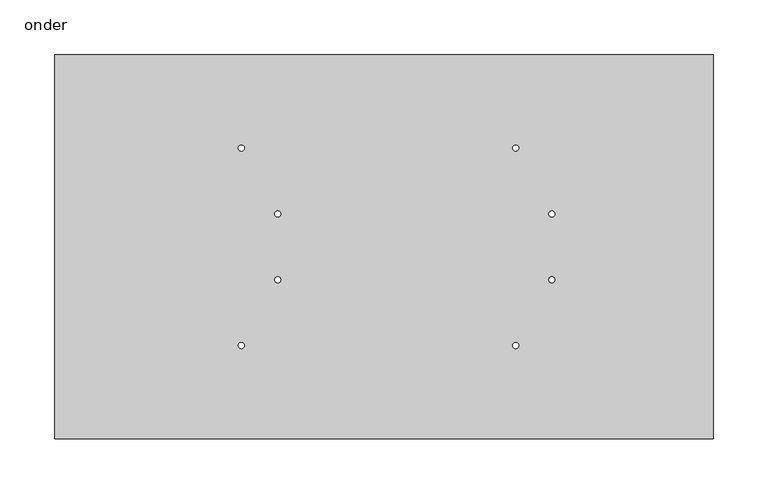
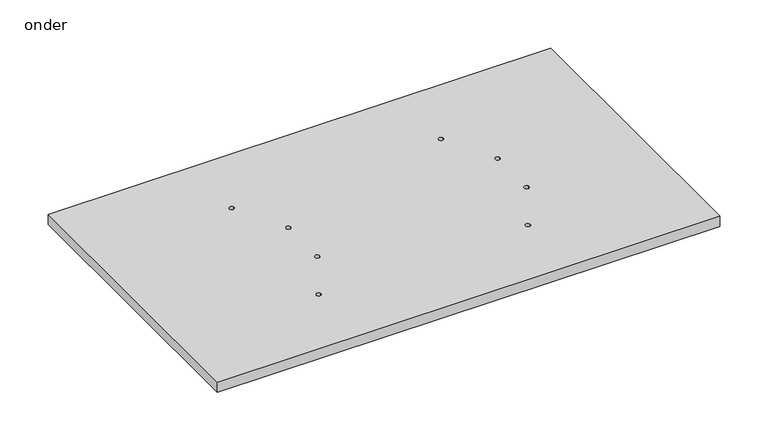
"""IFC4 building model written with IfcOpenShell, lengths in millimetres: furniture geometry, onder."""

from ifc_helpers import new_model, si_unit, point, frame_2d, origin, origin_with_axes, place, context, project, spatial, polyline, circle_curve, trimmed, segment, composite_curve, outline, extrude, source, transform, mapped, element, save


def onder_9797ff81(model_context):
    return source(origin(), model_context, "Body", "SweptSolid", [
        extrude(outline(polyline([(300.0, 175.0), (300.0, -175.0), (-300.0, -175.0), (-300.0, 175.0), (300.0, 175.0)]), holes=[composite_curve([segment(trimmed(circle_curve(frame_2d((-97.0, 30.0)), 2.75), [point((-99.75, 30.0))], [point((-94.25, 30.0))], True, "CARTESIAN"), True, "CONTINUOUS"), segment(trimmed(circle_curve(frame_2d((-97.0, 30.0)), 2.75), [point((-94.25, 30.0))], [point((-99.75, 30.0))], True, "CARTESIAN"), True, "CONTINUOUS")], self_intersect=False), composite_curve([segment(trimmed(circle_curve(frame_2d((-130.0, 90.0)), 2.75), [point((-132.75, 90.0))], [point((-127.25, 90.0))], True, "CARTESIAN"), True, "CONTINUOUS"), segment(trimmed(circle_curve(frame_2d((-130.0, 90.0)), 2.75), [point((-127.25, 90.0))], [point((-132.75, 90.0))], True, "CARTESIAN"), True, "CONTINUOUS")], self_intersect=False), composite_curve([segment(trimmed(circle_curve(frame_2d((153.0, 30.0)), 2.75), [point((150.25, 30.0))], [point((155.75, 30.0))], True, "CARTESIAN"), True, "CONTINUOUS"), segment(trimmed(circle_curve(frame_2d((153.0, 30.0)), 2.75), [point((155.75, 30.0))], [point((150.25, 30.0))], True, "CARTESIAN"), True, "CONTINUOUS")], self_intersect=False), composite_curve([segment(trimmed(circle_curve(frame_2d((120.0, 90.0)), 2.75), [point((117.25, 90.0))], [point((122.75, 90.0))], True, "CARTESIAN"), True, "CONTINUOUS"), segment(trimmed(circle_curve(frame_2d((120.0, 90.0)), 2.75), [point((122.75, 90.0))], [point((117.25, 90.0))], True, "CARTESIAN"), True, "CONTINUOUS")], self_intersect=False), composite_curve([segment(trimmed(circle_curve(frame_2d((-97.0, -30.0)), 2.75), [point((-99.75, -30.0))], [point((-94.25, -30.0))], True, "CARTESIAN"), True, "CONTINUOUS"), segment(trimmed(circle_curve(frame_2d((-97.0, -30.0)), 2.75), [point((-94.25, -30.0))], [point((-99.75, -30.0))], True, "CARTESIAN"), True, "CONTINUOUS")], self_intersect=False), composite_curve([segment(trimmed(circle_curve(frame_2d((-130.0, -90.0)), 2.75), [point((-132.75, -90.0))], [point((-127.25, -90.0))], True, "CARTESIAN"), True, "CONTINUOUS"), segment(trimmed(circle_curve(frame_2d((-130.0, -90.0)), 2.75), [point((-127.25, -90.0))], [point((-132.75, -90.0))], True, "CARTESIAN"), True, "CONTINUOUS")], self_intersect=False), composite_curve([segment(trimmed(circle_curve(frame_2d((153.0, -30.0)), 2.75), [point((150.25, -30.0))], [point((155.75, -30.0))], True, "CARTESIAN"), True, "CONTINUOUS"), segment(trimmed(circle_curve(frame_2d((153.0, -30.0)), 2.75), [point((155.75, -30.0))], [point((150.25, -30.0))], True, "CARTESIAN"), True, "CONTINUOUS")], self_intersect=False), composite_curve([segment(trimmed(circle_curve(frame_2d((120.0, -90.0)), 2.75), [point((117.25, -90.0))], [point((122.75, -90.0))], True, "CARTESIAN"), True, "CONTINUOUS"), segment(trimmed(circle_curve(frame_2d((120.0, -90.0)), 2.75), [point((122.75, -90.0))], [point((117.25, -90.0))], True, "CARTESIAN"), True, "CONTINUOUS")], self_intersect=False)]), origin_with_axes(), (0.0, 0.0, 1.0), 13.0),
    ])


if __name__ == "__main__":
    model = new_model("IFC4")
    model_context = context("Model", 3, world=origin())
    ifc_project = project(units=[si_unit("LENGTHUNIT", "METRE", prefix="MILLI")], contexts=[model_context])
    site = spatial("IfcSite", under=ifc_project)
    building = spatial("IfcBuilding", under=site)
    placement = place(None, origin())
    onder_shape = onder_9797ff81(model_context)
    element("IfcFurniture", 1, ObjectType="onder", at=placement, inside=building, context=model_context, shape_type="MappedRepresentation", body=[
        mapped(onder_shape, transform((0.0, 0.0, 0.0), x_axis=(1.0, 0.0, 0.0), y_axis=(0.0, 1.0, 0.0), z_axis=(0.0, 0.0, 1.0))),
    ])
    save(model, "model.ifc")
